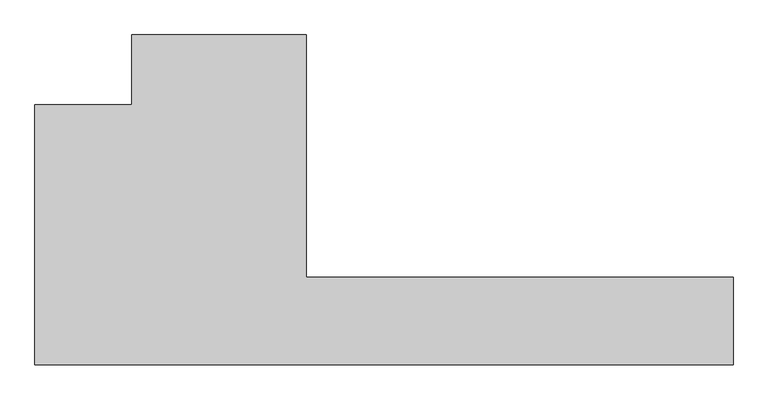
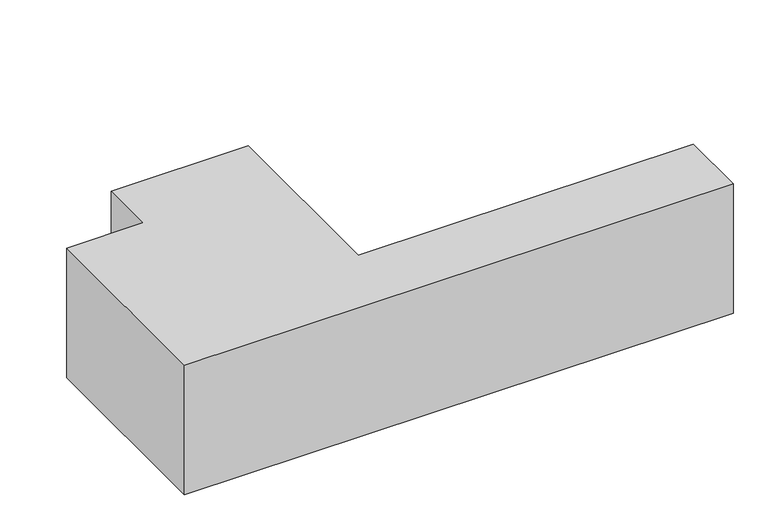
"""IFC4 building model written with IfcOpenShell, lengths in millimetres: proxy geometry."""

from ifc_helpers import new_model, si_unit, origin, origin_with_axes, place, context, project, spatial, polyline, outline, extrude, source, transform, mapped, element, save


def generic_models_d2e38c66(model_context):
    return source(origin(), model_context, "Body", "SweptSolid", [
        extrude(outline(polyline([(500.0, 1340.0), (500.0, 1700.0), (1400.0, 1700.0), (1400.0, 450.0), (3600.0, 450.0), (3600.0, 0.0), (0.0, 0.0), (0.0, 1340.0), (500.0, 1340.0)])), origin_with_axes(), (0.0, 0.0, 1.0), 900.0),
    ])


if __name__ == "__main__":
    model = new_model("IFC4")
    model_context = context("Model", 3, world=origin())
    ifc_project = project(units=[si_unit("LENGTHUNIT", "METRE", prefix="MILLI")], contexts=[model_context])
    site = spatial("IfcSite", under=ifc_project)
    building = spatial("IfcBuilding", under=site)
    placement = place(None, origin())
    generic_models_shape = generic_models_d2e38c66(model_context)
    element("IfcBuildingElementProxy", 1, Name="Generic Models", at=placement, inside=building, context=model_context, shape_type="MappedRepresentation", body=[
        mapped(generic_models_shape, transform((0.0, 0.0, 0.0), x_axis=(1.0, 0.0, 0.0), y_axis=(0.0, 1.0, 0.0), z_axis=(0.0, 0.0, 1.0))),
    ])
    save(model, "model.ifc")
